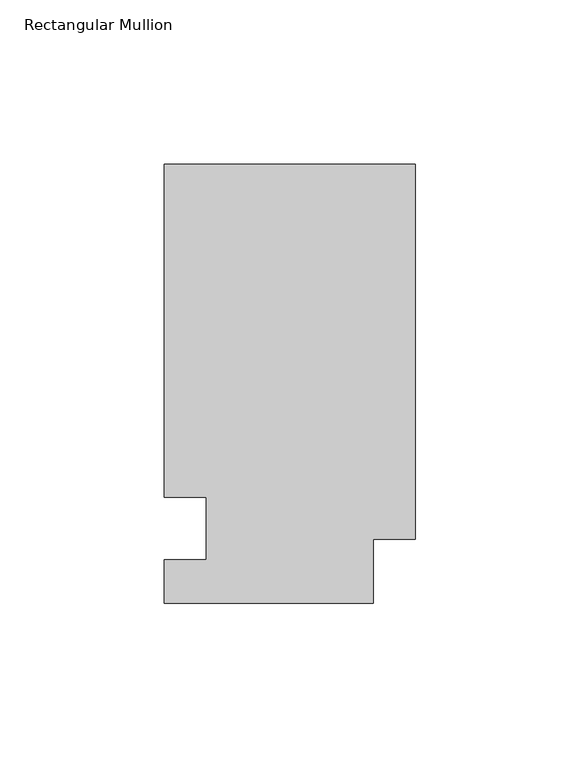
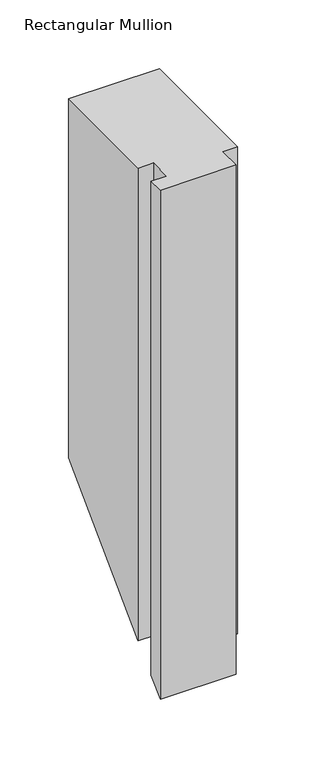
"""IFC4 building model written with IfcOpenShell, lengths in millimetres: member geometry, Rectangular Mullion."""

from ifc_helpers import new_model, si_unit, origin, place, context, project, spatial, faceted_brep, source, transform, mapped, element, save


def rectangular_mullion_fd6c9b88(model_context):
    return source(origin(), model_context, "Body", "Brep", [
        faceted_brep([(0.0, 133.4396938, 0.0), (-76.2, 133.4396938, 0.0), (-76.2, 32.2460937, 0.0), (-63.5, 32.2460938, 0.0), (-63.5, 13.1960937, 0.0), (-76.2, 13.1960937, 0.0), (-76.2, 0.0134937, 0.0), (-12.7, 0.0134937, 0.0), (-12.7, 19.5460937, 0.0), (0.0, 19.5460937, 0.0), (0.0, 133.4396938, -318.4022178), (-76.2, 133.4396938, -318.4022178), (-76.2, 32.2460937, -419.5958178), (-63.5, 32.2460937, -419.5958178), (-63.5, 13.1960937, -438.6458178), (-76.2, 13.1960937, -438.6458178), (-76.2, 0.0134937, -451.8284178), (-12.7, 0.0134937, -451.8284178), (-12.7, 19.5460937, -432.2958178), (0.0, 19.5460937, -432.2958178)], [[[0, 1, 2, 3, 4, 5, 6, 7, 8, 9]], [[1, 0, 10, 11]], [[2, 1, 11, 12]], [[3, 2, 12, 13]], [[4, 3, 13, 14]], [[5, 4, 14, 15]], [[6, 5, 15, 16]], [[7, 6, 16, 17]], [[8, 7, 17, 18]], [[9, 8, 18, 19]], [[0, 9, 19, 10]], [[10, 19, 18, 17, 16, 15, 14, 13, 12, 11]]]),
    ])


if __name__ == "__main__":
    model = new_model("IFC4")
    model_context = context("Model", 3, world=origin())
    ifc_project = project(units=[si_unit("LENGTHUNIT", "METRE", prefix="MILLI")], contexts=[model_context])
    site = spatial("IfcSite", under=ifc_project)
    building = spatial("IfcBuilding", under=site)
    placement = place(None, origin())
    rectangular_mullion_shape = rectangular_mullion_fd6c9b88(model_context)
    element("IfcMember", 1, ObjectType="Rectangular Mullion", at=placement, inside=building, context=model_context, shape_type="MappedRepresentation", body=[
        mapped(rectangular_mullion_shape, transform((0.0, 0.0, 0.0), x_axis=(1.0, 0.0, 0.0), y_axis=(0.0, 1.0, 0.0), z_axis=(0.0, 0.0, 1.0))),
    ])
    save(model, "model.ifc")
